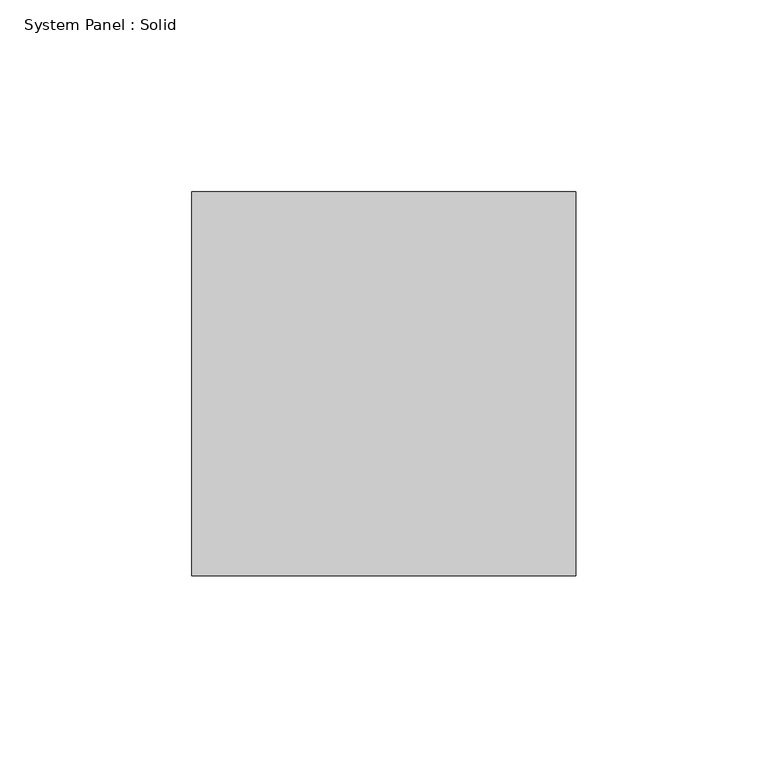
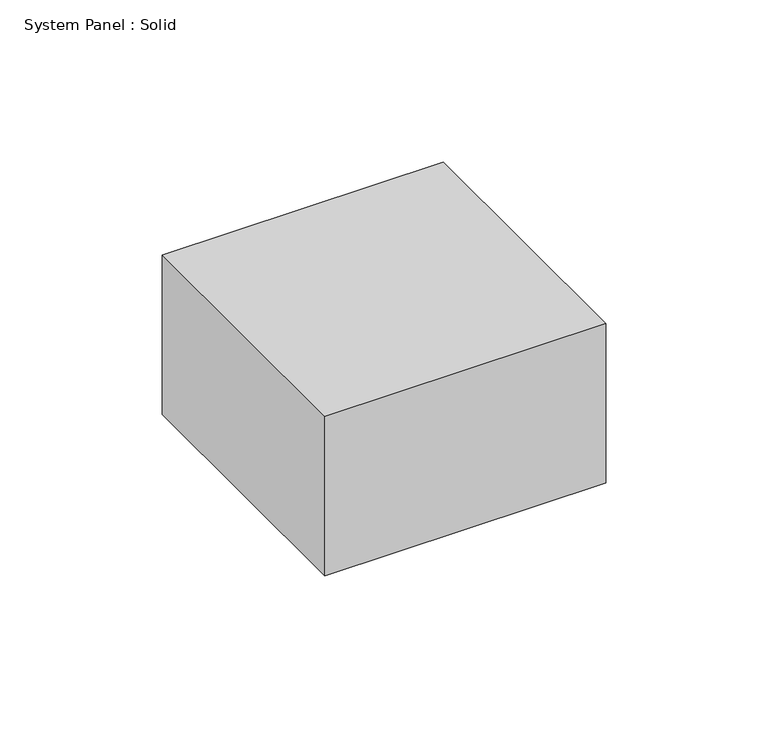
"""IFC4 building model written with IfcOpenShell, lengths in millimetres: plate geometry, System Panel : Solid."""

from ifc_helpers import new_model, si_unit, origin, origin_with_axes, place, context, project, spatial, polyline, outline, extrude, source, transform, mapped, element, save


def system_panel_solid_9d748764(model_context):
    return source(origin(), model_context, "Body", "SweptSolid", [
        extrude(outline(polyline([(49.9999998, 50.0), (-49.9999998, 50.0), (-49.9999998, 150.0), (49.9999998, 150.0), (49.9999998, 50.0)])), origin_with_axes(), (0.0, 0.0, 1.0), 60.0),
    ])


if __name__ == "__main__":
    model = new_model("IFC4")
    model_context = context("Model", 3, world=origin())
    ifc_project = project(units=[si_unit("LENGTHUNIT", "METRE", prefix="MILLI")], contexts=[model_context])
    site = spatial("IfcSite", under=ifc_project)
    building = spatial("IfcBuilding", under=site)
    placement = place(None, origin())
    system_panel_solid_shape = system_panel_solid_9d748764(model_context)
    element("IfcPlate", 1, ObjectType="System Panel : Solid", at=placement, inside=building, context=model_context, shape_type="MappedRepresentation", body=[
        mapped(system_panel_solid_shape, transform((0.0, 0.0, 0.0), x_axis=(1.0, 0.0, 0.0), y_axis=(0.0, 1.0, 0.0), z_axis=(0.0, 0.0, 1.0))),
    ])
    save(model, "model.ifc")
